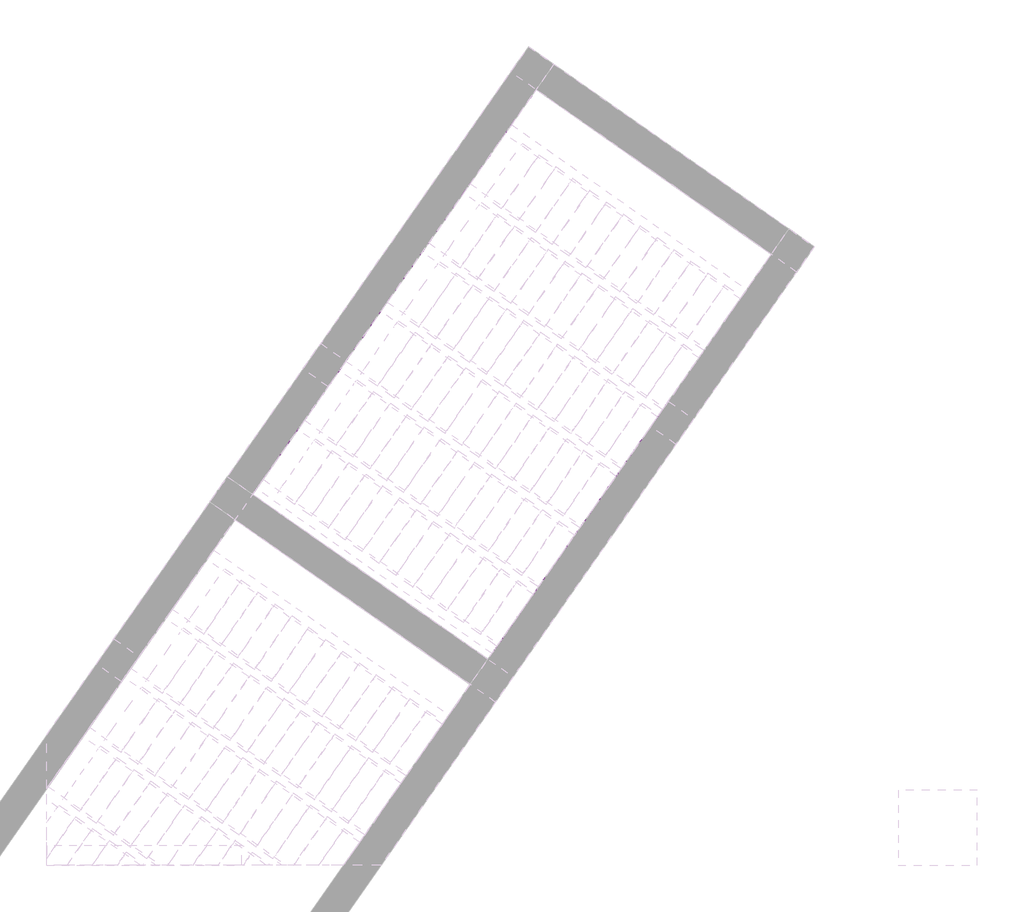
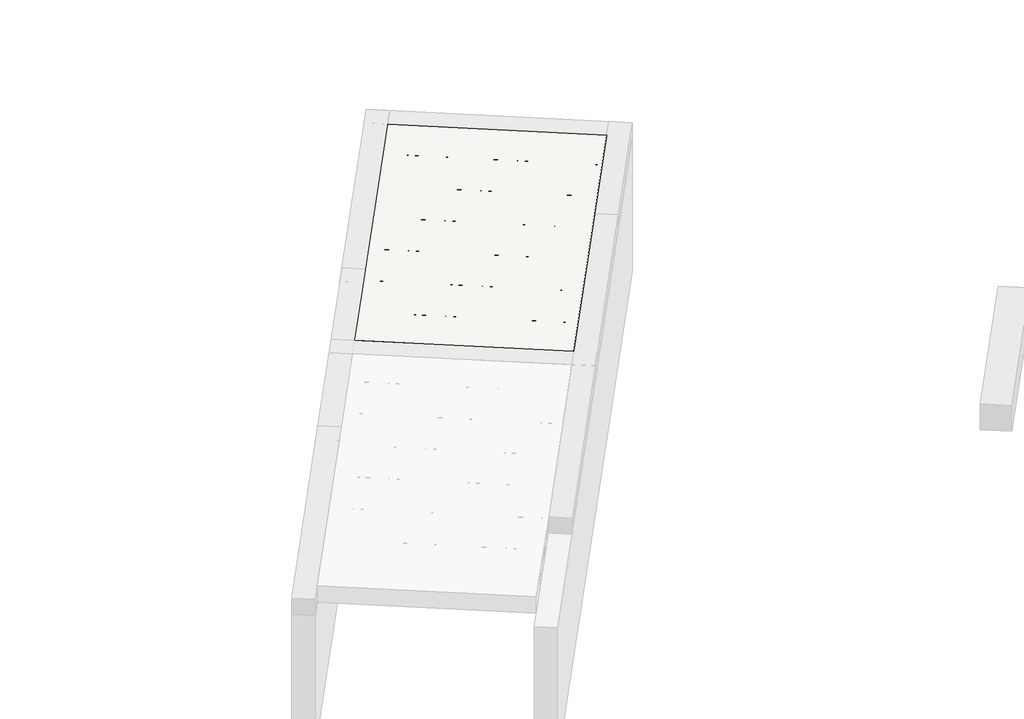
# One storey, part 3 of 6: 1 slab.
"""IFC4 building model written with IfcOpenShell, lengths in millimetres."""

from ifc_helpers import new_model, si_unit, frame, origin, place, context, project, spatial, polyline, outline, extrude, element, save

model = new_model("IFC4")

# Units and contexts
model_context = context("Model", 3, world=origin())
ifc_project = project(units=[si_unit("LENGTHUNIT", "METRE", prefix="MILLI")], contexts=[model_context])

# Site, building, storey
site = spatial("IfcSite", under=ifc_project)
building = spatial("IfcBuilding", under=site)
storey = spatial("IfcBuildingStorey", under=building, Elevation=93640.0)

# Slab
placement = place(None, origin())
element("IfcSlab", 1, ObjectType="DirectShapeType 1092", at=placement, inside=storey, context=model_context, shape_type="SweptSolid", body=[
    extrude(outline(polyline([(2493.3397853, 7877.6734289), (2665.4127162, 8123.4190422), (4510.119792, 10757.9337753), (6791.0065139, 9160.8396987), (5792.9652978, 7735.4891254), (5620.8923669, 7489.7435122), (4041.8548378, 5234.6442127), (1760.9681159, 6831.7382893), (2493.3397853, 7877.6734289)])), frame((0.0, 0.0, 95690.0), z_axis=(0.0, 0.0, 1.0), x_axis=(1.0, 0.0, 0.0)), (0.0, 0.0, 1.0), 250.0),
])

save(model, "model.ifc")
